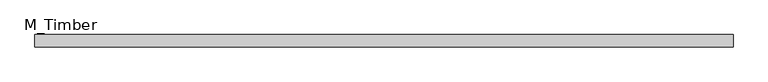
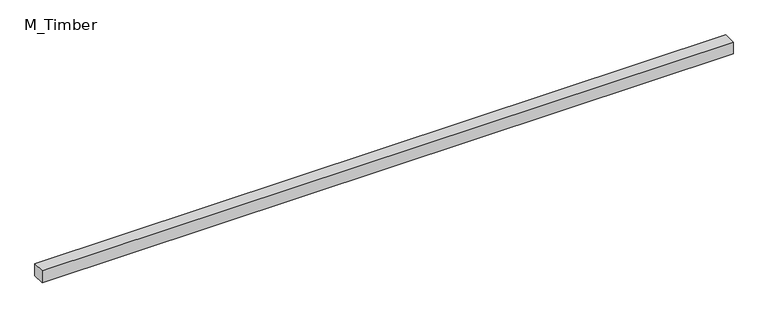
"""IFC4 building model written with IfcOpenShell, lengths in millimetres: beam geometry, M_Timber."""

from ifc_helpers import new_model, si_unit, frame, origin, place, context, project, spatial, polyline, outline, extrude, source, transform, mapped, element, save


def m_timber_d69e4947(model_context):
    return source(origin(), model_context, "Body", "SweptSolid", [
        extrude(outline(polyline([(1110.0008657, 20.0), (1110.0008657, -20.0), (-1110.0008657, -20.0), (-1110.0008657, 20.0), (1110.0008657, 20.0)])), frame((0.0, 0.0, -20.0), z_axis=(0.0, 0.0, 1.0), x_axis=(1.0, 0.0, 0.0)), (0.0, 0.0, 1.0), 40.0),
    ])


if __name__ == "__main__":
    model = new_model("IFC4")
    model_context = context("Model", 3, world=origin())
    ifc_project = project(units=[si_unit("LENGTHUNIT", "METRE", prefix="MILLI")], contexts=[model_context])
    site = spatial("IfcSite", under=ifc_project)
    building = spatial("IfcBuilding", under=site)
    placement = place(None, origin())
    m_timber_shape = m_timber_d69e4947(model_context)
    element("IfcBeam", 1, ObjectType="M_Timber", at=placement, inside=building, context=model_context, shape_type="MappedRepresentation", body=[
        mapped(m_timber_shape, transform((0.0, 0.0, 0.0), x_axis=(1.0, 0.0, 0.0), y_axis=(0.0, 1.0, 0.0), z_axis=(0.0, 0.0, 1.0))),
    ])
    save(model, "model.ifc")
